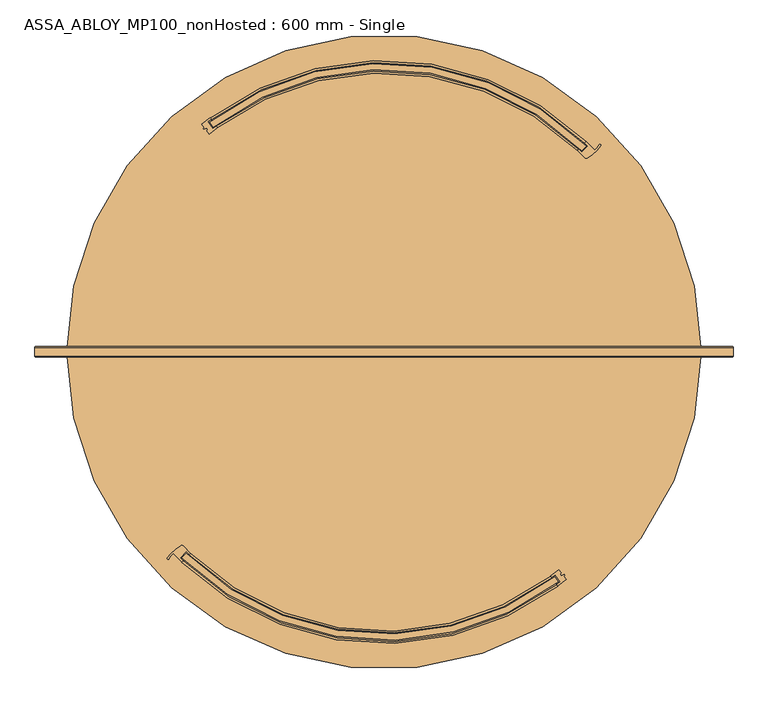
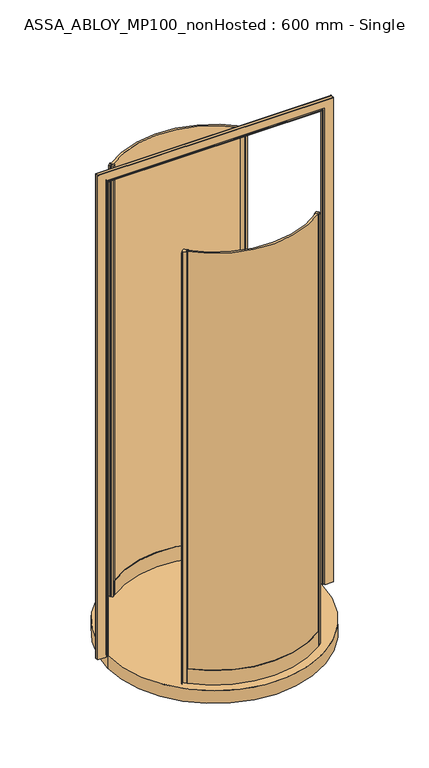
"""IFC4 building model written with IfcOpenShell, lengths in millimetres: door geometry, ASSA_ABLOY_MP100_nonHosted : 600 mm - Single."""

from ifc_helpers import new_model, si_unit, point, frame, origin, origin_with_axes, origin_2d, place, context, project, spatial, polyline, circle_curve, ellipse_curve, trimmed, segment, composite_curve, outline, extrude, source, transform, mapped, element, save
from ifc_brep_helpers import plane_surface, cylinder_surface, revolved_surface, advanced_brep


def assa_abloy_mp100_nonhosted_600_mm_single_06e5b02b(model_context):
    return source(origin(), model_context, "Body", "SolidModel", [
        extrude(outline(composite_curve([segment(trimmed(circle_curve(origin_2d(), 461.0), [point((-323.0228277, -328.9031054))], [point((278.7296704, -367.1930975))], True, "CARTESIAN"), True, "CONTINUOUS"), segment(polyline([(278.7296704, -367.1930975), (284.6922302, -375.2217132)]), True, "CONTINUOUS"), segment(trimmed(circle_curve(origin_2d(), 471.0), [point((284.6922302, -375.2217132))], [point((-329.952436, -336.1136564))], False, "CARTESIAN"), True, "CONTINUOUS"), segment(polyline([(-329.952436, -336.1136564), (-323.0228277, -328.9031054)]), True, "CONTINUOUS")], self_intersect=False)), origin_with_axes(), (0.0, 0.0, 1.0), 2200.0),
        extrude(outline(composite_curve([segment(polyline([(285.3369696, -355.6948324), (289.4020493, -361.1684819), (287.3950036, -362.6590414), (289.481787, -365.4689053), (294.0829, -363.6472028), (294.7436822, -364.5369492), (293.2774526, -366.3867312), (297.2693923, -371.7618975)]), True, "CONTINUOUS"), segment(trimmed(circle_curve(origin_2d(), 476.0), [point((297.2693923, -371.7618975))], [point((283.8025361, -382.1414928))], False, "CARTESIAN"), True, "CONTINUOUS"), segment(polyline([(283.8025361, -382.1414928), (282.0138647, -379.733038)]), True, "CONTINUOUS"), segment(trimmed(circle_curve(origin_2d(), 473.0), [point((282.0138647, -379.733038))], [point((287.6027082, -375.5178854))], True, "CARTESIAN"), True, "CONTINUOUS"), segment(polyline([(287.6027082, -375.5178854), (279.2546327, -364.2771612)]), True, "CONTINUOUS"), segment(trimmed(circle_curve(origin_2d(), 459.0), [point((279.2546327, -364.2771612))], [point((273.6655575, -368.494454))], False, "CARTESIAN"), True, "CONTINUOUS"), segment(polyline([(273.6655575, -368.494454), (271.8780598, -366.0851275)]), True, "CONTINUOUS"), segment(trimmed(circle_curve(origin_2d(), 456.0), [point((271.8780598, -366.0851275))], [point((285.3369696, -355.6948324))], True, "CARTESIAN"), True, "CONTINUOUS")], self_intersect=False)), origin_with_axes(), (0.0, 0.0, 1.0), 2200.0),
        advanced_brep(
        [(-323.0606614, -326.0564281, 0.0), (-332.7619944, -336.1524011, 0.0), (-327.7505863, -341.0399863, 0.0), (-329.8292072, -343.2031633, 0.0), (-343.6754502, -329.3370005, 0.0), (-350.8403885, -338.0289484, 0.0), (-353.4119384, -336.7129907, 0.0), (-331.5448057, -316.4268945, 0.0), (-327.8628013, -316.9255214, 0.0), (-315.9717342, -328.781983, 0.0), (-318.0503552, -330.94516, 0.0), (-323.0606614, -326.0564281, 2200.0), (-318.0503552, -330.94516, 2200.0), (-315.9717342, -328.781983, 2200.0), (-327.8628013, -316.9255214, 2200.0), (-331.5448057, -316.4268945, 2200.0), (-353.4119384, -336.7129907, 2200.0), (-350.8541944, -338.0217349, 2200.0), (-343.6754502, -329.3370005, 2200.0), (-329.8292072, -343.2031633, 2200.0), (-327.7505863, -341.0399863, 2200.0), (-332.7619944, -336.1524011, 2200.0)],
        [
            (0, 1),
            (1, 2, circle_curve(frame((-1.0606602, -1.0606602, 0.0), z_axis=(0.0, 0.0, 1.0), x_axis=(-0.707106781186553, 0.7071067811865419, 0.0)), 471.5)),
            (2, 3),
            (3, 4, circle_curve(frame((-1.0606602, -1.0606602, 0.0), z_axis=(0.0, 0.0, -1.0), x_axis=(-0.707106781186553, 0.7071067811865419, 0.0)), 474.5)),
            (4, 5, circle_curve(frame((-326.6572326, -350.6645131, 0.0), z_axis=(0.0, 0.0, 1.0), x_axis=(-0.707106781186553, 0.7071067811865419, 0.0)), 27.285207)),
            (5, 6, circle_curve(frame((-352.1274821, -337.3564491, 0.0), z_axis=(0.0, 0.0, -1.0), x_axis=(-0.707106781186553, 0.7071067811865419, 0.0)), 1.4366164)),
            (6, 7, circle_curve(frame((-295.9639336, -376.7095748, 0.0), z_axis=(0.0, 0.0, -1.0), x_axis=(-0.707106781186553, 0.7071067811865419, 0.0)), 70.0)),
            (7, 8, circle_curve(frame((-330.0199112, -319.0104379, 0.0), z_axis=(0.0, 0.0, -1.0), x_axis=(-0.707106781186553, 0.7071067811865419, 0.0)), 3.0)),
            (8, 9, circle_curve(frame((-1.0606602, -1.0606602, 0.0), z_axis=(0.0, 0.0, 1.0), x_axis=(-0.707106781186553, 0.7071067811865419, 0.0)), 454.5)),
            (9, 10),
            (10, 0, circle_curve(frame((-1.0606602, -1.0606602, 0.0), z_axis=(0.0, 0.0, -1.0), x_axis=(-0.707106781186553, 0.7071067811865419, 0.0)), 457.5)),
            (11, 12, circle_curve(frame((-1.0606602, -1.0606602, 2200.0), z_axis=(0.0, 0.0, 1.0), x_axis=(-0.707106781186553, 0.7071067811865419, 0.0)), 457.5)),
            (12, 13),
            (13, 14, circle_curve(frame((-1.0606602, -1.0606602, 2200.0), z_axis=(0.0, 0.0, -1.0), x_axis=(-0.707106781186553, 0.7071067811865419, 0.0)), 454.5)),
            (14, 15, circle_curve(frame((-330.0199112, -319.0104379, 2200.0), z_axis=(0.0, 0.0, 1.0), x_axis=(-0.707106781186553, 0.7071067811865419, 0.0)), 3.0)),
            (15, 16, circle_curve(frame((-295.9639336, -376.7095748, 2200.0), z_axis=(0.0, 0.0, 1.0), x_axis=(-0.707106781186553, 0.7071067811865419, 0.0)), 70.0)),
            (16, 17, circle_curve(frame((-352.1274821, -337.3564491, 2200.0), z_axis=(0.0, 0.0, 1.0), x_axis=(-0.707106781186553, 0.7071067811865419, 0.0)), 1.4366164)),
            (17, 18, circle_curve(frame((-326.6572326, -350.6645131, 2200.0), z_axis=(0.0, 0.0, -1.0), x_axis=(-0.707106781186553, 0.7071067811865419, 0.0)), 27.285207)),
            (18, 19, circle_curve(frame((-1.0606602, -1.0606602, 2200.0), z_axis=(0.0, 0.0, 1.0), x_axis=(-0.707106781186553, 0.7071067811865419, 0.0)), 474.5)),
            (19, 20),
            (20, 21, circle_curve(frame((-1.0606602, -1.0606602, 2200.0), z_axis=(0.0, 0.0, -1.0), x_axis=(-0.707106781186553, 0.7071067811865419, 0.0)), 471.5)),
            (21, 11),
            (0, 11),
            (21, 1),
            (20, 2),
            (19, 3),
            (18, 4),
            (8, 14),
            (13, 9),
            (12, 10),
            (17, 5),
            (16, 6),
            (15, 7),
        ],
        [
            plane_surface(frame((-322.4406922, -322.4406922, 0.0), z_axis=(0.0, 0.0, -1.0), x_axis=(-0.707106781186542, -0.7071067811865531, 0.0))),
            plane_surface(frame((-322.4406922, -322.4406922, 2200.0), z_axis=(0.0, 0.0, 1.0), x_axis=(-0.707106781186542, -0.7071067811865531, 0.0))),
            plane_surface(frame((-323.0606614, -326.0564281, 0.0), z_axis=(0.7210590160944299, -0.692873650320845, 0.0), x_axis=(0.0, 0.0, 1.0))),
            revolved_surface(polyline([(-334.4615075294597, 332.34018712945453, 2200.0), (-334.4615075294597, 332.34018712945453, 0.0)]), (-1.0606602, -1.0606602, 0.0), (0.0, 0.0, 1.0)),
            plane_surface(frame((-327.7505863, -341.0399863, 0.0), z_axis=(0.7210590160945622, -0.6928736503207074, 0.0), x_axis=(0.0, 0.0, 1.0))),
            cylinder_surface(frame((-1.0606602, -1.0606602, 0.0), z_axis=(0.0, 0.0, -1.0), x_axis=(-0.707106781186553, 0.7071067811865419, 0.0)), 474.5),
            revolved_surface(polyline([(-322.4406922492883, 320.3193718492833, 2200.0), (-322.4406922492883, 320.3193718492833, 0.0)]), (-1.0606602, -1.0606602, 0.0), (0.0, 0.0, 1.0)),
            plane_surface(frame((-315.9717342, -328.781983, 0.0), z_axis=(0.721059016094641, -0.6928736503206255, 0.0), x_axis=(0.0, 0.0, 1.0))),
            cylinder_surface(frame((-1.0606602, -1.0606602, 0.0), z_axis=(0.0, 0.0, -1.0), x_axis=(-0.707106781186553, 0.7071067811865419, 0.0)), 457.5),
            revolved_surface(polyline([(-345.9507874957788, -331.3709582042215, 2200.0), (-345.9507874957788, -331.3709582042215, 0.0)]), (-326.6572326, -350.6645131, 0.0), (0.0, 0.0, 1.0)),
            cylinder_surface(frame((-352.1274821, -337.3564491, 0.0), z_axis=(0.0, 0.0, -1.0), x_axis=(-0.707106781186553, 0.7071067811865419, 0.0)), 1.4366164),
            cylinder_surface(frame((-295.9639336, -376.7095748, 0.0), z_axis=(0.0, 0.0, -1.0), x_axis=(-0.707106781186553, 0.7071067811865419, 0.0)), 70.0),
            cylinder_surface(frame((-330.0199112, -319.0104379, 0.0), z_axis=(0.0, 0.0, -1.0), x_axis=(-0.707106781186553, 0.7071067811865419, 0.0)), 3.0),
        ],
        [
            (0, [[1, 2, 3, 4, 5, 6, 7, 8, 9, 10, 11]]),
            (1, [[12, 13, 14, 15, 16, 17, 18, 19, 20, 21, 22]]),
            (2, [[-1, 23, -22, 24]]),
            (3, [[-2, -24, -21, 25]]),
            (4, [[-3, -25, -20, 26]]),
            (5, [[-4, -26, -19, 27]]),
            (6, [[-9, 28, -14, 29]]),
            (7, [[-10, -29, -13, 30]]),
            (8, [[-11, -30, -12, -23]]),
            (9, [[-5, -27, -18, 31]]),
            (10, [[-6, -31, -17, 32]]),
            (11, [[-7, -32, -16, 33]]),
            (12, [[-8, -33, -15, -28]]),
        ],
    ),
        advanced_brep(
        [(-315.9719443, -328.782193, 73.0), (-315.9719443, -328.782193, 0.0), (-318.0507071, -330.9452338, 0.0), (-318.0507071, -330.9452338, 24.0), (-327.7516001, -341.0394239, 24.0), (-327.7516001, -341.0394239, 0.0), (-329.8303629, -343.2024646, 0.0), (-329.8303629, -343.2024646, 73.0), (-327.7516001, -341.0394239, 73.0), (-327.7516001, -341.0394239, 39.0), (-318.0507071, -330.9452338, 39.0), (-318.0507071, -330.9452338, 73.0), (271.8780598, -366.0851275, 73.0), (273.6667313, -368.4935823, 73.0), (273.6667313, -368.4935823, 39.0), (282.0138647, -379.733038, 39.0), (282.0138647, -379.733038, 73.0), (283.8025361, -382.1414928, 73.0), (283.8025361, -382.1414928, 0.0), (282.0138647, -379.733038, 0.0), (282.0138647, -379.733038, 24.0), (273.6667313, -368.4935823, 24.0), (273.6667313, -368.4935823, 0.0), (271.8780598, -366.0851275, 0.0)],
        [
            (0, 1),
            (1, 2),
            (2, 3),
            (3, 4),
            (4, 5),
            (5, 6),
            (6, 7),
            (7, 8),
            (8, 9),
            (9, 10),
            (10, 11),
            (11, 0),
            (12, 13),
            (13, 14),
            (14, 15),
            (15, 16),
            (16, 17),
            (17, 18),
            (18, 19),
            (19, 20),
            (20, 21),
            (21, 22),
            (22, 23),
            (23, 12),
            (23, 1, circle_curve(frame((0.0, 0.0, 0.0), z_axis=(0.0, 0.0, -1.0), x_axis=(-0.6929209304014323, -0.721013581156148, 0.0)), 456.0)),
            (0, 12, circle_curve(frame((0.0, 0.0, 73.0), z_axis=(0.0, 0.0, 1.0), x_axis=(-0.6929209304014323, -0.721013581156148, 0.0)), 456.0)),
            (22, 2, circle_curve(frame((0.0, 0.0, 0.0), z_axis=(0.0, 0.0, -1.0), x_axis=(-0.6929209304014323, -0.721013581156148, 0.0)), 459.0)),
            (21, 3, circle_curve(frame((0.0, 0.0, 24.0), z_axis=(0.0, 0.0, -1.0), x_axis=(-0.6929209304014323, -0.721013581156148, 0.0)), 459.0)),
            (20, 4, circle_curve(frame((0.0, 0.0, 24.0), z_axis=(0.0, 0.0, -1.0), x_axis=(-0.6929209304014323, -0.721013581156148, 0.0)), 473.0)),
            (19, 5, circle_curve(frame((0.0, 0.0, 0.0), z_axis=(0.0, 0.0, -1.0), x_axis=(-0.6929209304014323, -0.721013581156148, 0.0)), 473.0)),
            (18, 6, circle_curve(frame((0.0, 0.0, 0.0), z_axis=(0.0, 0.0, -1.0), x_axis=(-0.6929209304014323, -0.721013581156148, 0.0)), 476.0)),
            (17, 7, circle_curve(frame((0.0, 0.0, 73.0), z_axis=(0.0, 0.0, -1.0), x_axis=(-0.6929209304014323, -0.721013581156148, 0.0)), 476.0)),
            (16, 8, circle_curve(frame((0.0, 0.0, 73.0), z_axis=(0.0, 0.0, -1.0), x_axis=(-0.6929209304014323, -0.721013581156148, 0.0)), 473.0)),
            (15, 9, circle_curve(frame((0.0, 0.0, 39.0), z_axis=(0.0, 0.0, -1.0), x_axis=(-0.6929209304014323, -0.721013581156148, 0.0)), 473.0)),
            (14, 10, circle_curve(frame((0.0, 0.0, 39.0), z_axis=(0.0, 0.0, -1.0), x_axis=(-0.6929209304014323, -0.721013581156148, 0.0)), 459.0)),
            (13, 11, circle_curve(frame((0.0, 0.0, 73.0), z_axis=(0.0, 0.0, -1.0), x_axis=(-0.6929209304014323, -0.721013581156148, 0.0)), 459.0)),
        ],
        [
            plane_surface(frame((-315.9719443, -328.782193, 0.0), z_axis=(-0.7210135811561481, 0.6929209304014324, 0.0), x_axis=(0.0, 0.0, 1.0))),
            plane_surface(frame((271.8780598, -366.0851275, 0.0), z_axis=(0.8028182621140832, 0.5962238153714788, 0.0), x_axis=(0.0, 0.0, 1.0))),
            revolved_surface(polyline([(-315.97194426305316, -328.7821930072035, 73.00000000000003), (-315.97194426305316, -328.7821930072035, 0.0)]), (0.0, 0.0, 0.0), (0.0, 0.0, 1.0000000000000002)),
            plane_surface(frame((0.0, 0.0, 0.0), z_axis=(0.0, 0.0, -1.0000000000000002), x_axis=(-0.6929209304014324, -0.7210135811561481, 0.0))),
            cylinder_surface(frame((0.0, 0.0, 0.0), z_axis=(0.0, 0.0, 1.0000000000000002), x_axis=(-0.6929209304014323, -0.721013581156148, 0.0)), 459.0),
            plane_surface(frame((0.0, 0.0, 24.0), z_axis=(0.0, 0.0, -1.0000000000000002), x_axis=(-0.6929209304014324, -0.7210135811561481, 0.0))),
            revolved_surface(polyline([(-327.7516000798775, -341.039423886858, 24.000000000000014), (-327.7516000798775, -341.039423886858, 0.0)]), (0.0, 0.0, 0.0), (0.0, 0.0, 1.0000000000000002)),
            cylinder_surface(frame((0.0, 0.0, 0.0), z_axis=(0.0, 0.0, 1.0000000000000002), x_axis=(-0.6929209304014323, -0.721013581156148, 0.0)), 476.0),
            plane_surface(frame((0.0, 0.0, 73.0), z_axis=(0.0, 0.0, 1.0000000000000002), x_axis=(-0.6929209304014324, -0.7210135811561481, 0.0))),
            revolved_surface(polyline([(-327.7516000798775, -341.039423886858, 73.00000000000003), (-327.7516000798775, -341.039423886858, 39.000000000000014)]), (0.0, 0.0, 0.0), (0.0, 0.0, 1.0000000000000002)),
            plane_surface(frame((0.0, 0.0, 39.0), z_axis=(0.0, 0.0, 1.0000000000000002), x_axis=(-0.6929209304014324, -0.7210135811561481, 0.0))),
        ],
        [
            (0, [[1, 2, 3, 4, 5, 6, 7, 8, 9, 10, 11, 12]]),
            (1, [[13, 14, 15, 16, 17, 18, 19, 20, 21, 22, 23, 24]]),
            (2, [[25, -1, 26, -24]]),
            (3, [[27, -2, -25, -23]]),
            (4, [[28, -3, -27, -22]]),
            (5, [[29, -4, -28, -21]]),
            (6, [[30, -5, -29, -20]]),
            (3, [[31, -6, -30, -19]]),
            (7, [[32, -7, -31, -18]]),
            (8, [[33, -8, -32, -17]]),
            (9, [[34, -9, -33, -16]]),
            (10, [[35, -10, -34, -15]]),
            (4, [[36, -11, -35, -14]]),
            (8, [[-26, -12, -36, -13]]),
        ],
    ),
        extrude(outline(composite_curve([segment(trimmed(circle_curve(origin_2d(), 461.0), [point((323.0228277, 328.9031054))], [point((-278.7296704, 367.1930975))], True, "CARTESIAN"), True, "CONTINUOUS"), segment(polyline([(-278.7296704, 367.1930975), (-284.6922302, 375.2217132)]), True, "CONTINUOUS"), segment(trimmed(circle_curve(origin_2d(), 471.0), [point((-284.6922302, 375.2217132))], [point((329.952436, 336.1136564))], False, "CARTESIAN"), True, "CONTINUOUS"), segment(polyline([(329.952436, 336.1136564), (323.0228277, 328.9031054)]), True, "CONTINUOUS")], self_intersect=False)), origin_with_axes(), (0.0, 0.0, 1.0), 2200.0),
        extrude(outline(composite_curve([segment(polyline([(-285.3369696, 355.6948324), (-289.4020493, 361.1684819), (-287.3950036, 362.6590414), (-289.481787, 365.4689053), (-294.0829, 363.6472028), (-294.7436822, 364.5369492), (-293.2774526, 366.3867312), (-297.2693923, 371.7618975)]), True, "CONTINUOUS"), segment(trimmed(circle_curve(origin_2d(), 476.0), [point((-297.2693923, 371.7618975))], [point((-283.8025361, 382.1414928))], False, "CARTESIAN"), True, "CONTINUOUS"), segment(polyline([(-283.8025361, 382.1414928), (-282.0138647, 379.733038)]), True, "CONTINUOUS"), segment(trimmed(circle_curve(origin_2d(), 473.0), [point((-282.0138647, 379.733038))], [point((-287.6027082, 375.5178854))], True, "CARTESIAN"), True, "CONTINUOUS"), segment(polyline([(-287.6027082, 375.5178854), (-279.2546327, 364.2771612)]), True, "CONTINUOUS"), segment(trimmed(circle_curve(origin_2d(), 459.0), [point((-279.2546327, 364.2771612))], [point((-273.6655575, 368.494454))], False, "CARTESIAN"), True, "CONTINUOUS"), segment(polyline([(-273.6655575, 368.494454), (-271.8780598, 366.0851275)]), True, "CONTINUOUS"), segment(trimmed(circle_curve(origin_2d(), 456.0), [point((-271.8780598, 366.0851275))], [point((-285.3369696, 355.6948324))], True, "CARTESIAN"), True, "CONTINUOUS")], self_intersect=False)), origin_with_axes(), (0.0, 0.0, 1.0), 2200.0),
        advanced_brep(
        [(323.0606614, 326.0564281, 0.0), (332.7619944, 336.1524011, 0.0), (327.7505863, 341.0399863, 0.0), (329.8292072, 343.2031633, 0.0), (343.6754502, 329.3370005, 0.0), (350.8403885, 338.0289484, 0.0), (353.4119384, 336.7129907, 0.0), (331.5448057, 316.4268945, 0.0), (327.8628013, 316.9255214, 0.0), (315.9717342, 328.781983, 0.0), (318.0503552, 330.94516, 0.0), (323.0606614, 326.0564281, 2200.0), (318.0503552, 330.94516, 2200.0), (315.9717342, 328.781983, 2200.0), (327.8628013, 316.9255214, 2200.0), (331.5448057, 316.4268945, 2200.0), (353.4119384, 336.7129907, 2200.0), (350.8541944, 338.0217349, 2200.0), (343.6754502, 329.3370005, 2200.0), (329.8292072, 343.2031633, 2200.0), (327.7505863, 341.0399863, 2200.0), (332.7619944, 336.1524011, 2200.0)],
        [
            (0, 1),
            (1, 2, circle_curve(frame((1.0606602, 1.0606602, 0.0), z_axis=(0.0, 0.0, 1.0), x_axis=(0.7071067811865529, -0.7071067811865411, 0.0)), 471.5)),
            (2, 3),
            (3, 4, circle_curve(frame((1.0606602, 1.0606602, 0.0), z_axis=(0.0, 0.0, -1.0), x_axis=(0.7071067811865529, -0.7071067811865411, 0.0)), 474.5)),
            (4, 5, circle_curve(frame((326.6572326, 350.6645131, 0.0), z_axis=(0.0, 0.0, 1.0), x_axis=(0.7071067811865529, -0.7071067811865411, 0.0)), 27.285207)),
            (5, 6, circle_curve(frame((352.1274821, 337.3564491, 0.0), z_axis=(0.0, 0.0, -1.0), x_axis=(0.7071067811865529, -0.7071067811865411, 0.0)), 1.4366164)),
            (6, 7, circle_curve(frame((295.9639336, 376.7095748, 0.0), z_axis=(0.0, 0.0, -1.0), x_axis=(0.7071067811865529, -0.7071067811865411, 0.0)), 70.0)),
            (7, 8, circle_curve(frame((330.0199112, 319.0104379, 0.0), z_axis=(0.0, 0.0, -1.0), x_axis=(0.7071067811865529, -0.7071067811865411, 0.0)), 3.0)),
            (8, 9, circle_curve(frame((1.0606602, 1.0606602, 0.0), z_axis=(0.0, 0.0, 1.0), x_axis=(0.7071067811865529, -0.7071067811865411, 0.0)), 454.5)),
            (9, 10),
            (10, 0, circle_curve(frame((1.0606602, 1.0606602, 0.0), z_axis=(0.0, 0.0, -1.0), x_axis=(0.7071067811865529, -0.7071067811865411, 0.0)), 457.5)),
            (11, 12, circle_curve(frame((1.0606602, 1.0606602, 2200.0), z_axis=(0.0, 0.0, 1.0), x_axis=(0.7071067811865529, -0.7071067811865411, 0.0)), 457.5)),
            (12, 13),
            (13, 14, circle_curve(frame((1.0606602, 1.0606602, 2200.0), z_axis=(0.0, 0.0, -1.0), x_axis=(0.7071067811865529, -0.7071067811865411, 0.0)), 454.5)),
            (14, 15, circle_curve(frame((330.0199112, 319.0104379, 2200.0), z_axis=(0.0, 0.0, 1.0), x_axis=(0.7071067811865529, -0.7071067811865411, 0.0)), 3.0)),
            (15, 16, circle_curve(frame((295.9639336, 376.7095748, 2200.0), z_axis=(0.0, 0.0, 1.0), x_axis=(0.7071067811865529, -0.7071067811865411, 0.0)), 70.0)),
            (16, 17, circle_curve(frame((352.1274821, 337.3564491, 2200.0), z_axis=(0.0, 0.0, 1.0), x_axis=(0.7071067811865529, -0.7071067811865411, 0.0)), 1.4366164)),
            (17, 18, circle_curve(frame((326.6572326, 350.6645131, 2200.0), z_axis=(0.0, 0.0, -1.0), x_axis=(0.7071067811865529, -0.7071067811865411, 0.0)), 27.285207)),
            (18, 19, circle_curve(frame((1.0606602, 1.0606602, 2200.0), z_axis=(0.0, 0.0, 1.0), x_axis=(0.7071067811865529, -0.7071067811865411, 0.0)), 474.5)),
            (19, 20),
            (20, 21, circle_curve(frame((1.0606602, 1.0606602, 2200.0), z_axis=(0.0, 0.0, -1.0), x_axis=(0.7071067811865529, -0.7071067811865411, 0.0)), 471.5)),
            (21, 11),
            (0, 11),
            (21, 1),
            (20, 2),
            (19, 3),
            (18, 4),
            (8, 14),
            (13, 9),
            (12, 10),
            (17, 5),
            (16, 6),
            (15, 7),
        ],
        [
            plane_surface(frame((322.4406922, 322.4406922, 0.0), z_axis=(0.0, 0.0, -1.0000000000000002), x_axis=(0.7071067811865417, 0.7071067811865535, 0.0))),
            plane_surface(frame((322.4406922, 322.4406922, 2200.0), z_axis=(0.0, 0.0, 1.0000000000000002), x_axis=(0.7071067811865417, 0.7071067811865535, 0.0))),
            plane_surface(frame((323.0606614, 326.0564281, 0.0), z_axis=(-0.7210590160944302, 0.6928736503208447, 0.0), x_axis=(0.0, 0.0, 1.0))),
            revolved_surface(polyline([(334.46150752945965, -332.3401871294542, 2200.0), (334.46150752945965, -332.3401871294542, 0.0)]), (1.0606602, 1.0606602, 0.0), (0.0, 0.0, 1.0)),
            plane_surface(frame((327.7505863, 341.0399863, 0.0), z_axis=(-0.7210590160945626, 0.692873650320707, 0.0), x_axis=(0.0, 0.0, 1.0))),
            cylinder_surface(frame((1.0606602, 1.0606602, 0.0), z_axis=(0.0, 0.0, -1.0), x_axis=(0.7071067811865529, -0.7071067811865411, 0.0)), 474.5),
            revolved_surface(polyline([(322.44069224928825, -320.31937184928296, 2200.0), (322.44069224928825, -320.31937184928296, 0.0)]), (1.0606602, 1.0606602, 0.0), (0.0, 0.0, 1.0)),
            plane_surface(frame((315.9717342, 328.781983, 0.0), z_axis=(-0.7210590160946412, 0.6928736503206251, 0.0), x_axis=(0.0, 0.0, 1.0))),
            cylinder_surface(frame((1.0606602, 1.0606602, 0.0), z_axis=(0.0, 0.0, -1.0), x_axis=(0.7071067811865529, -0.7071067811865411, 0.0)), 457.5),
            revolved_surface(polyline([(345.9507874957788, 331.37095820422155, 2200.0), (345.9507874957788, 331.37095820422155, 0.0)]), (326.6572326, 350.6645131, 0.0), (0.0, 0.0, 1.0)),
            cylinder_surface(frame((352.1274821, 337.3564491, 0.0), z_axis=(0.0, 0.0, -1.0), x_axis=(0.7071067811865529, -0.7071067811865411, 0.0)), 1.4366164),
            cylinder_surface(frame((295.9639336, 376.7095748, 0.0), z_axis=(0.0, 0.0, -1.0), x_axis=(0.7071067811865529, -0.7071067811865411, 0.0)), 70.0),
            cylinder_surface(frame((330.0199112, 319.0104379, 0.0), z_axis=(0.0, 0.0, -1.0), x_axis=(0.7071067811865529, -0.7071067811865411, 0.0)), 3.0),
        ],
        [
            (0, [[1, 2, 3, 4, 5, 6, 7, 8, 9, 10, 11]]),
            (1, [[12, 13, 14, 15, 16, 17, 18, 19, 20, 21, 22]]),
            (2, [[-1, 23, -22, 24]]),
            (3, [[-2, -24, -21, 25]]),
            (4, [[-3, -25, -20, 26]]),
            (5, [[-4, -26, -19, 27]]),
            (6, [[-9, 28, -14, 29]]),
            (7, [[-10, -29, -13, 30]]),
            (8, [[-11, -30, -12, -23]]),
            (9, [[-5, -27, -18, 31]]),
            (10, [[-6, -31, -17, 32]]),
            (11, [[-7, -32, -16, 33]]),
            (12, [[-8, -33, -15, -28]]),
        ],
    ),
        advanced_brep(
        [(315.9719443, 328.782193, 73.0), (315.9719443, 328.782193, 0.0), (318.0507071, 330.9452338, 0.0), (318.0507071, 330.9452338, 24.0), (327.7516001, 341.0394239, 24.0), (327.7516001, 341.0394239, 0.0), (329.8303629, 343.2024646, 0.0), (329.8303629, 343.2024646, 73.0), (327.7516001, 341.0394239, 73.0), (327.7516001, 341.0394239, 39.0), (318.0507071, 330.9452338, 39.0), (318.0507071, 330.9452338, 73.0), (-271.8780598, 366.0851275, 73.0), (-273.6667313, 368.4935823, 73.0), (-273.6667313, 368.4935823, 39.0), (-282.0138647, 379.733038, 39.0), (-282.0138647, 379.733038, 73.0), (-283.8025361, 382.1414928, 73.0), (-283.8025361, 382.1414928, 0.0), (-282.0138647, 379.733038, 0.0), (-282.0138647, 379.733038, 24.0), (-273.6667313, 368.4935823, 24.0), (-273.6667313, 368.4935823, 0.0), (-271.8780598, 366.0851275, 0.0)],
        [
            (0, 1),
            (1, 2),
            (2, 3),
            (3, 4),
            (4, 5),
            (5, 6),
            (6, 7),
            (7, 8),
            (8, 9),
            (9, 10),
            (10, 11),
            (11, 0),
            (12, 13),
            (13, 14),
            (14, 15),
            (15, 16),
            (16, 17),
            (17, 18),
            (18, 19),
            (19, 20),
            (20, 21),
            (21, 22),
            (22, 23),
            (23, 12),
            (23, 1, circle_curve(frame((0.0, 0.0, 0.0), z_axis=(0.0, 0.0, -1.0), x_axis=(0.6929209304014315, 0.7210135811561479, 0.0)), 456.0)),
            (0, 12, circle_curve(frame((0.0, 0.0, 73.0), z_axis=(0.0, 0.0, 1.0), x_axis=(0.6929209304014315, 0.7210135811561479, 0.0)), 456.0)),
            (22, 2, circle_curve(frame((0.0, 0.0, 0.0), z_axis=(0.0, 0.0, -1.0), x_axis=(0.6929209304014315, 0.7210135811561479, 0.0)), 459.0)),
            (21, 3, circle_curve(frame((0.0, 0.0, 24.0), z_axis=(0.0, 0.0, -1.0), x_axis=(0.6929209304014315, 0.7210135811561479, 0.0)), 459.0)),
            (20, 4, circle_curve(frame((0.0, 0.0, 24.0), z_axis=(0.0, 0.0, -1.0), x_axis=(0.6929209304014315, 0.7210135811561479, 0.0)), 473.0)),
            (19, 5, circle_curve(frame((0.0, 0.0, 0.0), z_axis=(0.0, 0.0, -1.0), x_axis=(0.6929209304014315, 0.7210135811561479, 0.0)), 473.0)),
            (18, 6, circle_curve(frame((0.0, 0.0, 0.0), z_axis=(0.0, 0.0, -1.0), x_axis=(0.6929209304014315, 0.7210135811561479, 0.0)), 476.0)),
            (17, 7, circle_curve(frame((0.0, 0.0, 73.0), z_axis=(0.0, 0.0, -1.0), x_axis=(0.6929209304014315, 0.7210135811561479, 0.0)), 476.0)),
            (16, 8, circle_curve(frame((0.0, 0.0, 73.0), z_axis=(0.0, 0.0, -1.0), x_axis=(0.6929209304014315, 0.7210135811561479, 0.0)), 473.0)),
            (15, 9, circle_curve(frame((0.0, 0.0, 39.0), z_axis=(0.0, 0.0, -1.0), x_axis=(0.6929209304014315, 0.7210135811561479, 0.0)), 473.0)),
            (14, 10, circle_curve(frame((0.0, 0.0, 39.0), z_axis=(0.0, 0.0, -1.0), x_axis=(0.6929209304014315, 0.7210135811561479, 0.0)), 459.0)),
            (13, 11, circle_curve(frame((0.0, 0.0, 73.0), z_axis=(0.0, 0.0, -1.0), x_axis=(0.6929209304014315, 0.7210135811561479, 0.0)), 459.0)),
        ],
        [
            plane_surface(frame((315.9719443, 328.782193, 0.0), z_axis=(0.7210135811561483, -0.692920930401432, 0.0), x_axis=(0.0, 0.0, 1.0))),
            plane_surface(frame((-271.8780598, 366.0851275, 0.0), z_axis=(-0.802818262114083, -0.5962238153714792, 0.0), x_axis=(0.0, 0.0, 1.0))),
            revolved_surface(polyline([(315.97194426305276, 328.78219300720343, 73.00000000000003), (315.97194426305276, 328.78219300720343, 0.0)]), (0.0, 0.0, 0.0), (0.0, 0.0, 1.0000000000000002)),
            plane_surface(frame((0.0, 0.0, 0.0), z_axis=(0.0, 0.0, -0.9999999999999999), x_axis=(0.692920930401432, 0.7210135811561483, 0.0))),
            cylinder_surface(frame((0.0, 0.0, 0.0), z_axis=(0.0, 0.0, 1.0000000000000002), x_axis=(0.6929209304014315, 0.7210135811561479, 0.0)), 459.0),
            plane_surface(frame((0.0, 0.0, 24.0), z_axis=(0.0, 0.0, -0.9999999999999999), x_axis=(0.692920930401432, 0.7210135811561483, 0.0))),
            revolved_surface(polyline([(327.7516000798771, 341.03942388685795, 24.000000000000014), (327.7516000798771, 341.03942388685795, 0.0)]), (0.0, 0.0, 0.0), (0.0, 0.0, 1.0000000000000002)),
            cylinder_surface(frame((0.0, 0.0, 0.0), z_axis=(0.0, 0.0, 1.0000000000000002), x_axis=(0.6929209304014315, 0.7210135811561479, 0.0)), 476.0),
            plane_surface(frame((0.0, 0.0, 73.0), z_axis=(0.0, 0.0, 0.9999999999999999), x_axis=(0.692920930401432, 0.7210135811561483, 0.0))),
            revolved_surface(polyline([(327.7516000798771, 341.03942388685795, 73.00000000000003), (327.7516000798771, 341.03942388685795, 39.000000000000014)]), (0.0, 0.0, 0.0), (0.0, 0.0, 1.0000000000000002)),
            plane_surface(frame((0.0, 0.0, 39.0), z_axis=(0.0, 0.0, 0.9999999999999999), x_axis=(0.692920930401432, 0.7210135811561483, 0.0))),
        ],
        [
            (0, [[1, 2, 3, 4, 5, 6, 7, 8, 9, 10, 11, 12]]),
            (1, [[13, 14, 15, 16, 17, 18, 19, 20, 21, 22, 23, 24]]),
            (2, [[25, -1, 26, -24]]),
            (3, [[27, -2, -25, -23]]),
            (4, [[28, -3, -27, -22]]),
            (5, [[29, -4, -28, -21]]),
            (6, [[30, -5, -29, -20]]),
            (3, [[31, -6, -30, -19]]),
            (7, [[32, -7, -31, -18]]),
            (8, [[33, -8, -32, -17]]),
            (9, [[34, -9, -33, -16]]),
            (10, [[35, -10, -34, -15]]),
            (4, [[36, -11, -35, -14]]),
            (8, [[-26, -12, -36, -13]]),
        ],
    ),
        extrude(outline(composite_curve([segment(trimmed(circle_curve(origin_2d(), 517.5), [point((-517.5, 0.0))], [point((517.5, 0.0))], False, "CARTESIAN"), True, "CONTINUOUS"), segment(trimmed(circle_curve(origin_2d(), 517.5), [point((517.5, 0.0))], [point((-517.5, 0.0))], False, "CARTESIAN"), True, "CONTINUOUS")], self_intersect=False)), frame((0.0, 0.0, -65.0), z_axis=(0.0, 0.0, 1.0), x_axis=(1.0, 0.0, 0.0)), (0.0, 0.0, 1.0), 65.0),
        advanced_brep(
        [(518.4, 6.0, 0.0), (520.6980762, 6.0, 0.0), (521.5980762, 5.1, 0.0), (521.5980762, -5.1, 0.0), (520.6980762, -6.0, 0.0), (518.4, -6.0, 0.0), (517.5, -5.1, 0.0), (517.5, 5.1, 0.0), (-518.4, 6.0, 0.0), (-517.5, 5.1, 0.0), (-517.5, -5.1, 0.0), (-518.4, -6.0, 0.0), (-520.6980762, -6.0, 0.0), (-521.5980762, -5.1, 0.0), (-521.5980762, 5.1, 0.0), (-520.6980762, 6.0, 0.0), (518.4, 6.0, 2421.8), (-518.4, 6.0, 2421.8), (-520.6980762, 6.0, 2424.0980762), (520.6980762, 6.0, 2424.0980762), (521.5980762, 5.1, 2424.9980762), (521.5980762, -5.1, 2424.9980762), (520.6980762, -6.0, 2424.0980762), (-520.6980762, -6.0, 2424.0980762), (-518.4, -6.0, 2421.8), (518.4, -6.0, 2421.8), (517.5, -5.1, 2420.9), (517.5, 5.1, 2420.9), (-521.5980762, 5.1, 2424.9980762), (-521.5980762, -5.1, 2424.9980762), (-517.5, -5.1, 2420.9), (-517.5, 5.1, 2420.9)],
        [
            (0, 1),
            (1, 2, circle_curve(frame((520.6980762, 5.1, 0.0), z_axis=(0.0, 0.0, -1.0), x_axis=(-1.0, 0.0, 0.0)), 0.9)),
            (2, 3),
            (3, 4, circle_curve(frame((520.6980762, -5.1, 0.0), z_axis=(0.0, 0.0, -1.0), x_axis=(-1.0, 0.0, 0.0)), 0.9)),
            (4, 5),
            (5, 6, circle_curve(frame((518.4, -5.1, 0.0), z_axis=(0.0, 0.0, -1.0), x_axis=(-1.0, 0.0, 0.0)), 0.9)),
            (6, 7),
            (7, 0, circle_curve(frame((518.4, 5.1, 0.0), z_axis=(0.0, 0.0, -1.0), x_axis=(-1.0, 0.0, 0.0)), 0.9)),
            (8, 9, circle_curve(frame((-518.4, 5.1, 0.0), z_axis=(0.0, 0.0, -1.0), x_axis=(1.0, 0.0, 0.0)), 0.9)),
            (9, 10),
            (10, 11, circle_curve(frame((-518.4, -5.1, 0.0), z_axis=(0.0, 0.0, -1.0), x_axis=(1.0, 0.0, 0.0)), 0.9)),
            (11, 12),
            (12, 13, circle_curve(frame((-520.6980762, -5.1, 0.0), z_axis=(0.0, 0.0, -1.0), x_axis=(1.0, 0.0, 0.0)), 0.9)),
            (13, 14),
            (14, 15, circle_curve(frame((-520.6980762, 5.1, 0.0), z_axis=(0.0, 0.0, -1.0), x_axis=(1.0, 0.0, 0.0)), 0.9)),
            (15, 8),
            (0, 16),
            (16, 17),
            (17, 8),
            (15, 18),
            (18, 19),
            (19, 1),
            (19, 20, ellipse_curve(frame((520.6980762, 5.1, 2424.0980762), z_axis=(0.7071067811865475, 0.0, -0.7071067811865475), x_axis=(-0.7071067811865474, 0.0, -0.7071067811865476)), 1.2727922, 0.9)),
            (20, 2),
            (20, 21),
            (21, 3),
            (21, 22, ellipse_curve(frame((520.6980762, -5.1, 2424.0980762), z_axis=(0.7071067811865475, 0.0, -0.7071067811865475), x_axis=(-0.7071067811865474, 0.0, -0.7071067811865476)), 1.2727922, 0.9)),
            (22, 4),
            (22, 23),
            (23, 12),
            (11, 24),
            (24, 25),
            (25, 5),
            (25, 26, ellipse_curve(frame((518.4, -5.1, 2421.8), z_axis=(0.7071067811865475, 0.0, -0.7071067811865475), x_axis=(-0.7071067811865474, 0.0, -0.7071067811865476)), 1.2727922, 0.9)),
            (26, 6),
            (26, 27),
            (27, 7),
            (27, 16, ellipse_curve(frame((518.4, 5.1, 2421.8), z_axis=(0.7071067811865475, 0.0, -0.7071067811865475), x_axis=(-0.7071067811865474, 0.0, -0.7071067811865476)), 1.2727922, 0.9)),
            (18, 28, ellipse_curve(frame((-520.6980762, 5.1, 2424.0980762), z_axis=(0.7071067811865475, 0.0, 0.7071067811865475), x_axis=(0.7071067811865476, 0.0, -0.7071067811865474)), 1.2727922, 0.9)),
            (28, 20),
            (28, 29),
            (29, 21),
            (29, 23, ellipse_curve(frame((-520.6980762, -5.1, 2424.0980762), z_axis=(0.7071067811865475, 0.0, 0.7071067811865475), x_axis=(0.7071067811865476, 0.0, -0.7071067811865474)), 1.2727922, 0.9)),
            (24, 30, ellipse_curve(frame((-518.4, -5.1, 2421.8), z_axis=(0.7071067811865475, 0.0, 0.7071067811865475), x_axis=(0.7071067811865476, 0.0, -0.7071067811865474)), 1.2727922, 0.9)),
            (30, 26),
            (30, 31),
            (31, 27),
            (31, 17, ellipse_curve(frame((-518.4, 5.1, 2421.8), z_axis=(0.7071067811865475, 0.0, 0.7071067811865475), x_axis=(0.7071067811865476, 0.0, -0.7071067811865474)), 1.2727922, 0.9)),
            (14, 28),
            (13, 29),
            (10, 30),
            (9, 31),
        ],
        [
            plane_surface(frame((521.6, 0.0, 0.0), z_axis=(0.0, 0.0, -1.0), x_axis=(0.0, -1.0, 0.0))),
            plane_surface(frame((-521.6, 0.0, 0.0), z_axis=(0.0, 0.0, -1.0), x_axis=(0.0, -1.0, 0.0))),
            plane_surface(frame((518.4, 6.0, 0.0), z_axis=(0.0, 1.0, 0.0), x_axis=(0.0, 0.0, 1.0))),
            cylinder_surface(frame((520.6980762, 5.1, 0.0), z_axis=(0.0, 0.0, -1.0), x_axis=(-1.0, 0.0, 0.0)), 0.9),
            plane_surface(frame((521.5980762, 5.1, 0.0), z_axis=(1.0, 0.0, 0.0), x_axis=(0.0, 0.0, 1.0))),
            cylinder_surface(frame((520.6980762, -5.1, 0.0), z_axis=(0.0, 0.0, -1.0), x_axis=(-1.0, 0.0, 0.0)), 0.9),
            plane_surface(frame((520.6980762, -6.0, 0.0), z_axis=(0.0, -1.0, 0.0), x_axis=(0.0, 0.0, 1.0))),
            cylinder_surface(frame((518.4, -5.1, 0.0), z_axis=(0.0, 0.0, -1.0), x_axis=(-1.0, 0.0, 0.0)), 0.9),
            plane_surface(frame((517.5, -5.1, 0.0), z_axis=(-1.0, 0.0, 0.0), x_axis=(0.0, 0.0, 1.0))),
            cylinder_surface(frame((518.4, 5.1, 0.0), z_axis=(0.0, 0.0, -1.0), x_axis=(-1.0, 0.0, 0.0)), 0.9),
            cylinder_surface(frame((521.6, 5.1, 2424.0980762), z_axis=(1.0, 0.0, 0.0), x_axis=(0.0, 0.0, -1.0)), 0.9),
            plane_surface(frame((521.5980762, 5.1, 2424.9980762), z_axis=(0.0, 0.0, 1.0), x_axis=(-1.0, 0.0, 0.0))),
            cylinder_surface(frame((521.6, -5.1, 2424.0980762), z_axis=(1.0, 0.0, 0.0), x_axis=(0.0, 0.0, -1.0)), 0.9),
            cylinder_surface(frame((521.6, -5.1, 2421.8), z_axis=(1.0, 0.0, 0.0), x_axis=(0.0, 0.0, -1.0)), 0.9),
            plane_surface(frame((517.5, -5.1, 2420.9), z_axis=(0.0, 0.0, -1.0), x_axis=(-1.0, 0.0, 0.0))),
            cylinder_surface(frame((521.6, 5.1, 2421.8), z_axis=(1.0, 0.0, 0.0), x_axis=(0.0, 0.0, -1.0)), 0.9),
            cylinder_surface(frame((-520.6980762, 5.1, 2425.0), z_axis=(0.0, 0.0, 1.0), x_axis=(1.0, 0.0, 0.0)), 0.9),
            plane_surface(frame((-521.5980762, 5.1, 2424.9980762), z_axis=(-1.0, 0.0, 0.0), x_axis=(0.0, 0.0, -1.0))),
            cylinder_surface(frame((-520.6980762, -5.1, 2425.0), z_axis=(0.0, 0.0, 1.0), x_axis=(1.0, 0.0, 0.0)), 0.9),
            cylinder_surface(frame((-518.4, -5.1, 2425.0), z_axis=(0.0, 0.0, 1.0), x_axis=(1.0, 0.0, 0.0)), 0.9),
            plane_surface(frame((-517.5, -5.1, 2420.9), z_axis=(1.0, 0.0, 0.0), x_axis=(0.0, 0.0, -1.0))),
            cylinder_surface(frame((-518.4, 5.1, 2425.0), z_axis=(0.0, 0.0, 1.0), x_axis=(1.0, 0.0, 0.0)), 0.9),
        ],
        [
            (0, [[1, 2, 3, 4, 5, 6, 7, 8]]),
            (1, [[9, 10, 11, 12, 13, 14, 15, 16]]),
            (2, [[-1, 17, 18, 19, -16, 20, 21, 22]]),
            (3, [[-2, -22, 23, 24]]),
            (4, [[-3, -24, 25, 26]]),
            (5, [[-4, -26, 27, 28]]),
            (6, [[-5, -28, 29, 30, -12, 31, 32, 33]]),
            (7, [[-6, -33, 34, 35]]),
            (8, [[-7, -35, 36, 37]]),
            (9, [[-8, -37, 38, -17]]),
            (10, [[-23, -21, 39, 40]]),
            (11, [[-25, -40, 41, 42]]),
            (12, [[-27, -42, 43, -29]]),
            (13, [[-34, -32, 44, 45]]),
            (14, [[-36, -45, 46, 47]]),
            (15, [[-38, -47, 48, -18]]),
            (16, [[-39, -20, -15, 49]]),
            (17, [[-41, -49, -14, 50]]),
            (18, [[-43, -50, -13, -30]]),
            (19, [[-44, -31, -11, 51]]),
            (20, [[-46, -51, -10, 52]]),
            (21, [[-48, -52, -9, -19]]),
        ],
    ),
        advanced_brep(
        [(568.9209519, 8.5, 0.0), (569.5980762, 7.0, 0.0), (569.5980762, -7.0, 0.0), (568.9209519, -8.5, 0.0), (529.5980762, -8.5, 0.0), (529.5980762, 8.5, 0.0), (-568.9209519, 8.5, 0.0), (-529.5980762, 8.5, 0.0), (-529.5980762, -8.5, 0.0), (-568.9209519, -8.5, 0.0), (-569.5980762, -7.0, 0.0), (-569.5980762, 7.0, 0.0), (568.9209519, 8.5, 2472.3209519), (569.5980762, 7.0, 2472.9980762), (569.5980762, -7.0, 2472.9980762), (568.9209519, -8.5, 2472.3209519), (-568.9209519, -8.5, 2472.3209519), (-529.5980762, -8.5, 2432.9980762), (529.5980762, -8.5, 2432.9980762), (529.5980762, 8.5, 2432.9980762), (-529.5980762, 8.5, 2432.9980762), (-568.9209519, 8.5, 2472.3209519), (-569.5980762, 7.0, 2472.9980762), (-569.5980762, -7.0, 2472.9980762)],
        [
            (0, 1, circle_curve(frame((567.5980762, 7.0, 0.0), z_axis=(0.0, 0.0, -1.0), x_axis=(-1.0, 0.0, 0.0)), 2.0)),
            (1, 2),
            (2, 3, circle_curve(frame((567.5980762, -7.0, 0.0), z_axis=(0.0, 0.0, -1.0), x_axis=(-1.0, 0.0, 0.0)), 2.0)),
            (3, 4),
            (4, 5),
            (5, 0),
            (6, 7),
            (7, 8),
            (8, 9),
            (9, 10, circle_curve(frame((-567.5980762, -7.0, 0.0), z_axis=(0.0, 0.0, -1.0), x_axis=(1.0, 0.0, 0.0)), 2.0)),
            (10, 11),
            (11, 6, circle_curve(frame((-567.5980762, 7.0, 0.0), z_axis=(0.0, 0.0, -1.0), x_axis=(1.0, 0.0, 0.0)), 2.0)),
            (0, 12),
            (12, 13, ellipse_curve(frame((567.5980762, 7.0, 2470.9980762), z_axis=(0.7071067811865475, 0.0, -0.7071067811865475), x_axis=(-0.7071067811865474, 0.0, -0.7071067811865476)), 2.8284271, 2.0)),
            (13, 1),
            (13, 14),
            (14, 2),
            (14, 15, ellipse_curve(frame((567.5980762, -7.0, 2470.9980762), z_axis=(0.7071067811865475, 0.0, -0.7071067811865475), x_axis=(-0.7071067811865474, 0.0, -0.7071067811865476)), 2.8284271, 2.0)),
            (15, 3),
            (15, 16),
            (16, 9),
            (8, 17),
            (17, 18),
            (18, 4),
            (18, 19),
            (19, 5),
            (19, 20),
            (20, 7),
            (6, 21),
            (21, 12),
            (21, 22, ellipse_curve(frame((-567.5980762, 7.0, 2470.9980762), z_axis=(0.7071067811865475, 0.0, 0.7071067811865475), x_axis=(0.7071067811865476, 0.0, -0.7071067811865474)), 2.8284271, 2.0)),
            (22, 13),
            (22, 23),
            (23, 14),
            (23, 16, ellipse_curve(frame((-567.5980762, -7.0, 2470.9980762), z_axis=(0.7071067811865475, 0.0, 0.7071067811865475), x_axis=(0.7071067811865476, 0.0, -0.7071067811865474)), 2.8284271, 2.0)),
            (17, 20),
            (11, 22),
            (10, 23),
        ],
        [
            plane_surface(frame((521.6, 0.0, 0.0), z_axis=(0.0, 0.0, -1.0), x_axis=(0.0, -1.0, 0.0))),
            plane_surface(frame((-521.6, 0.0, 0.0), z_axis=(0.0, 0.0, -1.0), x_axis=(0.0, -1.0, 0.0))),
            cylinder_surface(frame((567.5980762, 7.0, 0.0), z_axis=(0.0, 0.0, -1.0), x_axis=(-1.0, 0.0, 0.0)), 2.0),
            plane_surface(frame((569.5980762, 7.0, 0.0), z_axis=(1.0, 0.0, 0.0), x_axis=(0.0, 0.0, 1.0))),
            cylinder_surface(frame((567.5980762, -7.0, 0.0), z_axis=(0.0, 0.0, -1.0), x_axis=(-1.0, 0.0, 0.0)), 2.0),
            plane_surface(frame((568.9209519, -8.5, 0.0), z_axis=(0.0, -1.0, 0.0), x_axis=(0.0, 0.0, 1.0))),
            plane_surface(frame((529.5980762, -8.5, 0.0), z_axis=(-1.0, 0.0, 0.0), x_axis=(0.0, 0.0, 1.0))),
            plane_surface(frame((529.5980762, 8.5, 0.0), z_axis=(0.0, 1.0, 0.0), x_axis=(0.0, 0.0, 1.0))),
            cylinder_surface(frame((521.6, 7.0, 2470.9980762), z_axis=(1.0, 0.0, 0.0), x_axis=(0.0, 0.0, -1.0)), 2.0),
            plane_surface(frame((569.5980762, 7.0, 2472.9980762), z_axis=(0.0, 0.0, 1.0), x_axis=(-1.0, 0.0, 0.0))),
            cylinder_surface(frame((521.6, -7.0, 2470.9980762), z_axis=(1.0, 0.0, 0.0), x_axis=(0.0, 0.0, -1.0)), 2.0),
            plane_surface(frame((529.5980762, -8.5, 2432.9980762), z_axis=(0.0, 0.0, -1.0), x_axis=(-1.0, 0.0, 0.0))),
            cylinder_surface(frame((-567.5980762, 7.0, 2425.0), z_axis=(0.0, 0.0, 1.0), x_axis=(1.0, 0.0, 0.0)), 2.0),
            plane_surface(frame((-569.5980762, 7.0, 2472.9980762), z_axis=(-1.0, 0.0, 0.0), x_axis=(0.0, 0.0, -1.0))),
            cylinder_surface(frame((-567.5980762, -7.0, 2425.0), z_axis=(0.0, 0.0, 1.0), x_axis=(1.0, 0.0, 0.0)), 2.0),
            plane_surface(frame((-529.5980762, -8.5, 2432.9980762), z_axis=(1.0, 0.0, 0.0), x_axis=(0.0, 0.0, -1.0))),
        ],
        [
            (0, [[1, 2, 3, 4, 5, 6]]),
            (1, [[7, 8, 9, 10, 11, 12]]),
            (2, [[-1, 13, 14, 15]]),
            (3, [[-2, -15, 16, 17]]),
            (4, [[-3, -17, 18, 19]]),
            (5, [[-4, -19, 20, 21, -9, 22, 23, 24]]),
            (6, [[-5, -24, 25, 26]]),
            (7, [[-6, -26, 27, 28, -7, 29, 30, -13]]),
            (8, [[-14, -30, 31, 32]]),
            (9, [[-16, -32, 33, 34]]),
            (10, [[-18, -34, 35, -20]]),
            (11, [[-25, -23, 36, -27]]),
            (12, [[-31, -29, -12, 37]]),
            (13, [[-33, -37, -11, 38]]),
            (14, [[-35, -38, -10, -21]]),
            (15, [[-36, -22, -8, -28]]),
        ],
    ),
    ])


if __name__ == "__main__":
    model = new_model("IFC4")
    model_context = context("Model", 3, world=origin())
    ifc_project = project(units=[si_unit("LENGTHUNIT", "METRE", prefix="MILLI")], contexts=[model_context])
    site = spatial("IfcSite", under=ifc_project)
    building = spatial("IfcBuilding", under=site)
    placement = place(None, origin())
    assa_abloy_mp100_nonhosted_600_mm_single_shape = assa_abloy_mp100_nonhosted_600_mm_single_06e5b02b(model_context)
    element("IfcDoor", 1, ObjectType="ASSA_ABLOY_MP100_nonHosted : 600 mm - Single", at=placement, inside=building, context=model_context, shape_type="MappedRepresentation", body=[
        mapped(assa_abloy_mp100_nonhosted_600_mm_single_shape, transform((0.0, 0.0, 0.0), x_axis=(1.0, 0.0, 0.0), y_axis=(0.0, 1.0, 0.0), z_axis=(0.0, 0.0, 1.0))),
    ])
    save(model, "model.ifc")
